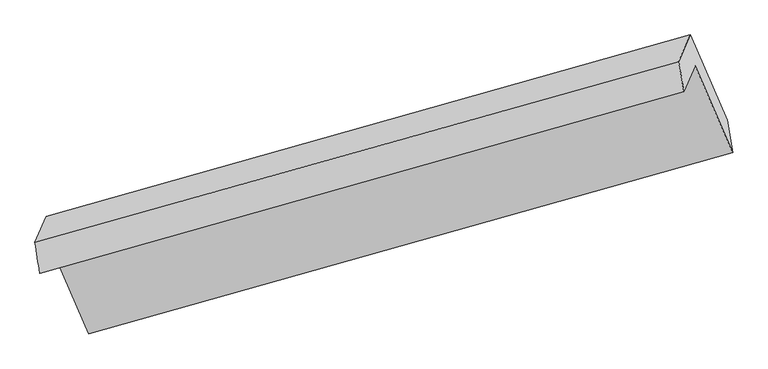
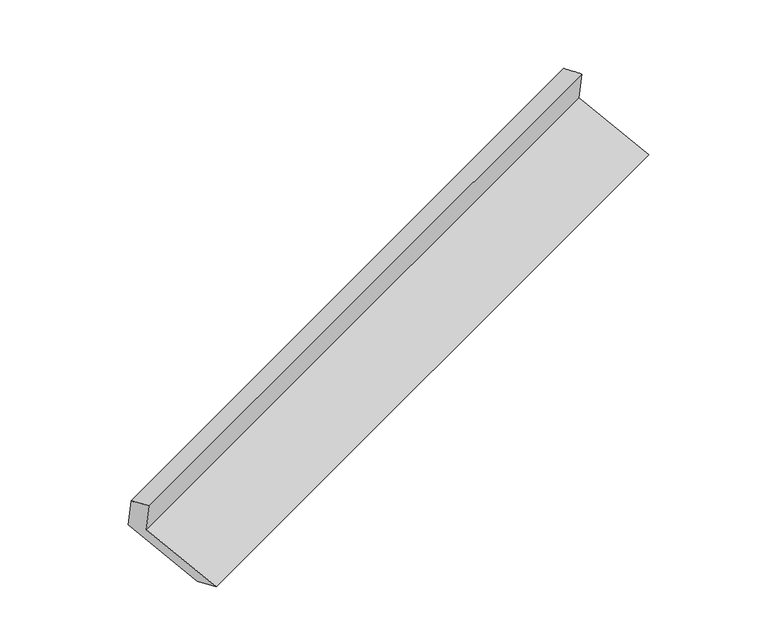
"""IFC4 building model written with IfcOpenShell, lengths in millimetres: proxy geometry."""

from ifc_helpers import new_model, si_unit, frame, origin, place, context, project, spatial, source, transform, mapped, element, save
from ifc_brep_helpers import plane_surface, spline_surface, advanced_brep


def generic_models_fd576ad5(model_context):
    return source(origin(), model_context, "Body", "AdvancedBrep", [
        advanced_brep(
        [(-5121.6986898, -2137.9181002, 1488.896251), (-5047.019299, -1964.6793735, 1148.3878095), (-756.9999797, -754.6935018, 2704.8615304), (-831.6793705, -927.9322286, 3045.369972), (-5154.5921022, -1932.0644932, 1419.5301063), (-866.4912077, -726.5289184, 2984.7510843), (-5079.9127114, -1758.8257664, 1079.0216648), (-789.8933921, -548.8398948, 2635.4953858), (-4834.2969069, -2327.0660605, 843.7887701), (-544.2775876, -1117.0801889, 2400.262491), (-4797.6946172, -2541.5002778, 909.6028228), (-507.6752979, -1331.5144062, 2466.0765437)],
        [
            (0, 1),
            (1, 2),
            (2, 3),
            (3, 0),
            (4, 0),
            (3, 5),
            (5, 4),
            (6, 4),
            (5, 7),
            (7, 6),
            (8, 6),
            (7, 9),
            (9, 8),
            (10, 8),
            (9, 11),
            (11, 10),
            (1, 10),
            (11, 2),
        ],
        [
            plane_surface(frame((-5084.3589944, -2051.2987369, 1318.6420302), z_axis=(0.3708877233626329, -0.8580610250825138, -0.355209197365762), x_axis=(0.1918424744860268, 0.44502968840785784, -0.8747256949573867))),
            spline_surface(1, 1, [[(-5154.5921022, -1932.0644932, 1419.5301063), (-866.4912077, -726.5289184, 2984.7510843)], [(-5121.6986898, -2137.9181002, 1488.896251), (-831.6793705, -927.9322286, 3045.369972)]], [2, 2], [2, 2], [0.0, 1.0], [0.0, 1.0]),
            plane_surface(frame((-5117.2524068, -1845.4451298, 1249.2758856), z_axis=(-0.3708877233626324, 0.8580610250825135, 0.3552091973657631), x_axis=(-0.19184247448602662, -0.4450296884078587, 0.8747256949573863))),
            plane_surface(frame((-4957.1048092, -2042.9459135, 961.4052174), z_axis=(0.19184247448602454, 0.44502968840785806, -0.8747256949573873), x_axis=(-0.3708877233626277, 0.8580610250825149, 0.3552091973657647))),
            plane_surface(frame((-4815.9957621, -2434.2831692, 876.6957964), z_axis=(0.38525873341809863, -0.2100336853368546, -0.8985886485755881), x_axis=(-0.16104951624618072, 0.9435072852680333, -0.2895808280308231))),
            plane_surface(frame((-4922.3569581, -2253.0898257, 1028.9953161), z_axis=(-0.1918424744860261, -0.44502968840785767, 0.874725694957387), x_axis=(0.37088772336263165, -0.858061025082514, -0.35520919736576245))),
            plane_surface(frame((-716.1694726, -901.0981898, 2706.1361679), z_axis=(0.908646664904442, 0.25628081018669363, 0.3296685982742166), x_axis=(-0.3708877233626277, 0.8580610250825149, 0.3552091973657647))),
            plane_surface(frame((-5005.8690544, -2110.3423453, 1148.2045707), z_axis=(-0.9086466649044395, -0.2562808101866999, -0.3296685982742189), x_axis=(-0.1918424744860268, -0.44502968840785784, 0.8747256949573867))),
        ],
        [
            (0, [[1, 2, 3, 4]]),
            (1, [[5, -4, 6, 7]]),
            (2, [[8, -7, 9, 10]]),
            (3, [[11, -10, 12, 13]]),
            (4, [[14, -13, 15, 16]]),
            (5, [[17, -16, 18, -2]]),
            (6, [[-12, -9, -6, -3, -18, -15]]),
            (7, [[-1, -5, -8, -11, -14, -17]]),
        ],
    ),
    ])


if __name__ == "__main__":
    model = new_model("IFC4")
    model_context = context("Model", 3, world=origin())
    ifc_project = project(units=[si_unit("LENGTHUNIT", "METRE", prefix="MILLI")], contexts=[model_context])
    site = spatial("IfcSite", under=ifc_project)
    building = spatial("IfcBuilding", under=site)
    placement = place(None, origin())
    generic_models_shape = generic_models_fd576ad5(model_context)
    element("IfcBuildingElementProxy", 1, Name="Generic Models", at=placement, inside=building, context=model_context, shape_type="MappedRepresentation", body=[
        mapped(generic_models_shape, transform((0.0, 0.0, 0.0), x_axis=(1.0, 0.0, 0.0), y_axis=(0.0, 1.0, 0.0), z_axis=(0.0, 0.0, 1.0))),
    ])
    save(model, "model.ifc")
